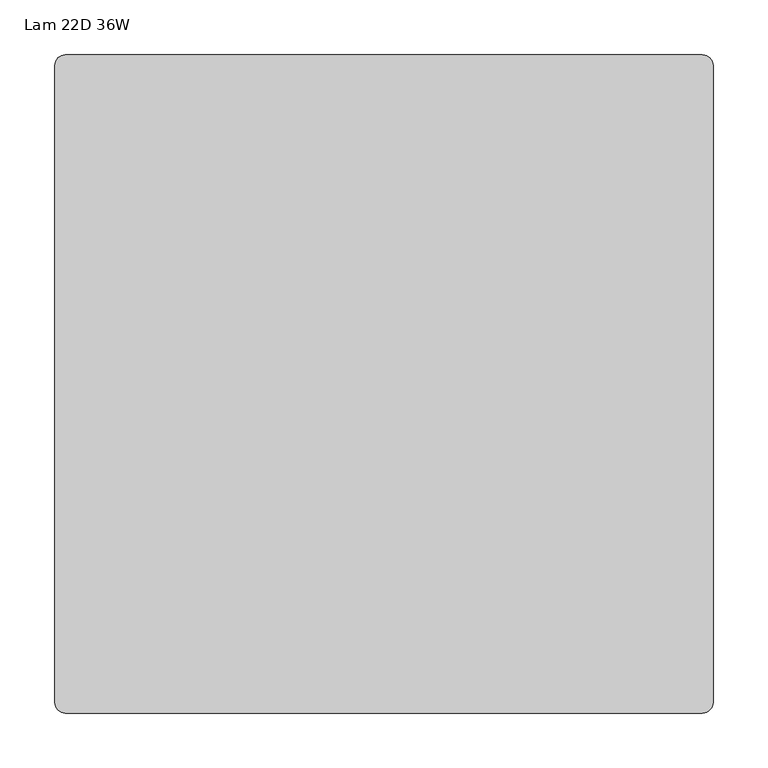
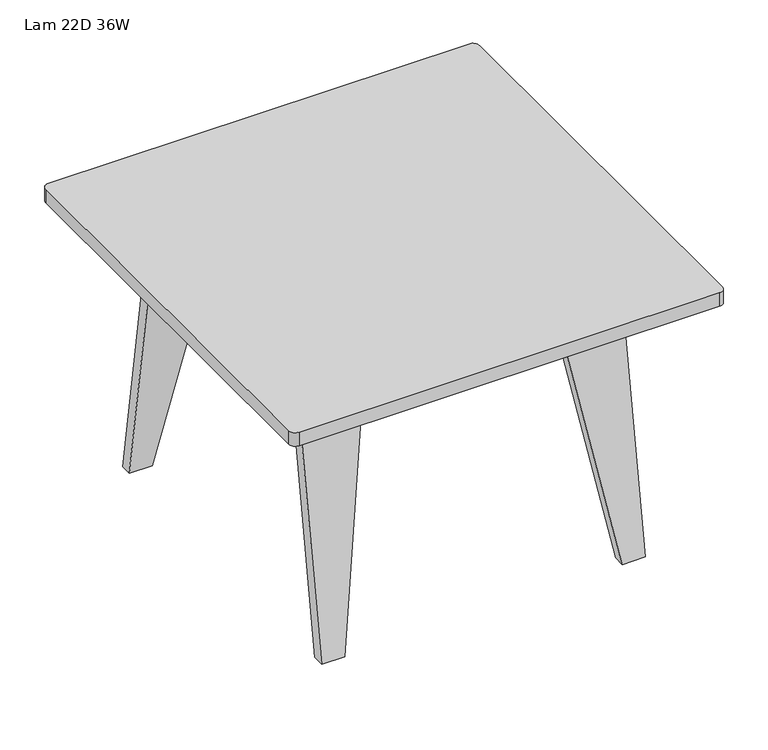
"""IFC4 building model written with IfcOpenShell, lengths in millimetres: furniture geometry, Lam 22D 36W."""

from ifc_helpers import new_model, si_unit, point, frame, frame_2d, origin, place, context, project, spatial, polyline, circle_curve, ellipse_curve, trimmed, segment, composite_curve, outline, extrude, source, transform, mapped, element, save
from ifc_brep_helpers import plane_surface, cylinder_surface, revolved_surface, advanced_brep


def lam_22d_36w_dc4fc0f7(model_context):
    return source(origin(), model_context, "Body", "SolidModel", [
        advanced_brep(
        [(192.05, 238.125, 0.0), (192.05, 221.9235331, 0.0), (142.4593989, 174.7972555, 297.5436065), (137.567, 140.4276766, 326.898), (137.567, -140.4276766, 326.898), (142.4593989, -174.7972555, 297.5436065), (192.05, -221.9235331, 0.0), (192.05, -238.125, 0.0), (142.0421882, -190.6022443, 300.0468708), (134.9, -140.4276766, 342.9), (134.9, 140.4276766, 342.9), (142.0421882, 190.6022443, 300.0468708), (223.8, 221.9235331, 0.0), (223.8, 238.125, 0.0), (223.8, 190.6022443, 300.0468708), (223.8, 140.4276766, 342.9), (223.8, -140.4276766, 342.9), (223.8, -190.6022443, 300.0468708), (223.8, -238.125, 0.0), (223.8, -221.9235331, 0.0), (223.8, -174.7972555, 297.5436065), (223.8, -140.4276766, 326.898), (223.8, 140.4276766, 326.898), (223.8, 174.7972555, 297.5436065)],
        [
            (0, 1),
            (1, 2),
            (2, 3, ellipse_curve(frame((143.3666667, 140.4276766, 292.1), z_axis=(0.9863939238321776, 0.0, 0.16439898730515412), x_axis=(-0.16439898730515426, 0.0, 0.9863939238321776)), 35.2779951, 34.798)),
            (3, 4),
            (4, 5, ellipse_curve(frame((143.3666667, -140.4276766, 292.1), z_axis=(0.9863939238321776, 0.0, 0.16439898730515412), x_axis=(-0.16439898730515426, 0.0, 0.9863939238321776)), 35.2779951, 34.798)),
            (5, 6),
            (6, 7),
            (7, 8),
            (8, 9, ellipse_curve(frame((143.3666667, -140.4276766, 292.1), z_axis=(-0.9863939238321776, 0.0, -0.16439898730515412), x_axis=(0.16439898730515426, 0.0, -0.9863939238321776)), 51.5007228, 50.8)),
            (9, 10),
            (10, 11, ellipse_curve(frame((143.3666667, 140.4276766, 292.1), z_axis=(-0.9863939238321776, 0.0, -0.16439898730515412), x_axis=(0.16439898730515426, 0.0, -0.9863939238321776)), 51.5007228, 50.8)),
            (11, 0),
            (12, 13),
            (13, 14),
            (14, 15, circle_curve(frame((223.8, 140.4276766, 292.1), z_axis=(1.0, 0.0, 0.0), x_axis=(0.0, 1.0, 0.0)), 50.8)),
            (15, 16),
            (16, 17, circle_curve(frame((223.8, -140.4276766, 292.1), z_axis=(1.0, 0.0, 0.0), x_axis=(0.0, 1.0, 0.0)), 50.8)),
            (17, 18),
            (18, 19),
            (19, 20),
            (20, 21, circle_curve(frame((223.8, -140.4276766, 292.1), z_axis=(-1.0, 0.0, 0.0), x_axis=(0.0, 1.0, 0.0)), 34.798)),
            (21, 22),
            (22, 23, circle_curve(frame((223.8, 140.4276766, 292.1), z_axis=(-1.0, 0.0, 0.0), x_axis=(0.0, 1.0, 0.0)), 34.798)),
            (23, 12),
            (12, 1),
            (0, 13),
            (11, 14),
            (10, 15),
            (9, 16),
            (8, 17),
            (7, 18),
            (6, 19),
            (5, 20),
            (4, 21),
            (3, 22),
            (2, 23),
        ],
        [
            plane_surface(frame((192.05, -300.0, 0.0), z_axis=(-0.9863939238321776, 0.0, -0.16439898730515412), x_axis=(0.0, 1.0, 0.0))),
            plane_surface(frame((223.8, 238.125, 0.0), z_axis=(1.0, 0.0, 0.0), x_axis=(0.0, 1.0, 0.0))),
            plane_surface(frame((223.8, 221.9235331, 0.0), z_axis=(0.0, 0.0, -1.0), x_axis=(-1.0, 0.0, 0.0))),
            plane_surface(frame((223.8, 238.125, 0.0), z_axis=(0.0, 0.9876883405951383, 0.15643446504022754), x_axis=(-1.0, 0.0, 0.0))),
            cylinder_surface(frame((134.9, 140.4276766, 292.1), z_axis=(1.0, 0.0, 0.0), x_axis=(0.0, 1.0, 0.0)), 50.8),
            plane_surface(frame((223.8, 140.4276766, 342.9), z_axis=(0.0, 0.0, 1.0), x_axis=(-1.0, 0.0, 0.0))),
            cylinder_surface(frame((134.9, -140.4276766, 292.1), z_axis=(1.0, 0.0, 0.0), x_axis=(0.0, 1.0, 0.0)), 50.8),
            plane_surface(frame((223.8, -190.6022443, 300.0468708), z_axis=(0.0, -0.9876883405951374, 0.15643446504023237), x_axis=(-1.0, 0.0, 0.0))),
            plane_surface(frame((223.8, -238.125, 0.0), z_axis=(0.0, 0.0, -1.0), x_axis=(-1.0, 0.0, 0.0))),
            plane_surface(frame((223.8, -221.9235331, 0.0), z_axis=(0.0, 0.9876883405951375, -0.15643446504023237), x_axis=(-1.0, 0.0, 0.0))),
            revolved_surface(polyline([(137.567, -105.62967660000001, 292.1), (223.8, -105.62967660000001, 292.1)]), (134.9, -140.4276766, 292.1), (-1.0, 0.0, 0.0)),
            plane_surface(frame((223.8, -140.4276766, 326.898), z_axis=(0.0, 0.0, -1.0), x_axis=(-1.0, 0.0, 0.0))),
            revolved_surface(polyline([(137.567, 175.2256766, 292.1), (223.8, 175.2256766, 292.1)]), (134.9, 140.4276766, 292.1), (-1.0, 0.0, 0.0)),
            plane_surface(frame((223.8, 174.7972555, 297.5436065), z_axis=(0.0, -0.9876883405951383, -0.1564344650402275), x_axis=(-1.0, 0.0, 0.0))),
        ],
        [
            (0, [[1, 2, 3, 4, 5, 6, 7, 8, 9, 10, 11, 12]]),
            (1, [[13, 14, 15, 16, 17, 18, 19, 20, 21, 22, 23, 24]]),
            (2, [[-13, 25, -1, 26]]),
            (3, [[-14, -26, -12, 27]]),
            (4, [[-15, -27, -11, 28]]),
            (5, [[-16, -28, -10, 29]]),
            (6, [[-17, -29, -9, 30]]),
            (7, [[-18, -30, -8, 31]]),
            (8, [[-19, -31, -7, 32]]),
            (9, [[-20, -32, -6, 33]]),
            (10, [[-21, -33, -5, 34]]),
            (11, [[-22, -34, -4, 35]]),
            (12, [[-23, -35, -3, 36]]),
            (13, [[-24, -36, -2, -25]]),
        ],
    ),
        advanced_brep(
        [(-223.8, 221.9235331, 0.0), (-223.8, 174.7972555, 297.5436065), (-223.8, 140.4276766, 326.898), (-223.8, -140.4276766, 326.898), (-223.8, -174.7972555, 297.5436065), (-223.8, -221.9235331, 0.0), (-223.8, -238.125, 0.0), (-223.8, -190.6022443, 300.0468708), (-223.8, -140.4276766, 342.9), (-223.8, 140.4276766, 342.9), (-223.8, 190.6022443, 300.0468708), (-223.8, 238.125, 0.0), (-192.05, 238.125, 0.0), (-192.05, 221.9235331, 0.0), (-142.0421882, 190.6022443, 300.0468708), (-134.9, 140.4276766, 342.9), (-134.9, -140.4276766, 342.9), (-142.0421882, -190.6022443, 300.0468708), (-192.05, -238.125, 0.0), (-192.05, -221.9235331, 0.0), (-142.4593989, -174.7972555, 297.5436065), (-137.567, -140.4276766, 326.898), (-137.567, 140.4276766, 326.898), (-142.4593989, 174.7972555, 297.5436065)],
        [
            (0, 1),
            (1, 2, circle_curve(frame((-223.8, 140.4276766, 292.1), z_axis=(1.0, 0.0, 0.0), x_axis=(0.0, 1.0, 0.0)), 34.798)),
            (2, 3),
            (3, 4, circle_curve(frame((-223.8, -140.4276766, 292.1), z_axis=(1.0, 0.0, 0.0), x_axis=(0.0, 1.0, 0.0)), 34.798)),
            (4, 5),
            (5, 6),
            (6, 7),
            (7, 8, circle_curve(frame((-223.8, -140.4276766, 292.1), z_axis=(-1.0, 0.0, 0.0), x_axis=(0.0, 1.0, 0.0)), 50.8)),
            (8, 9),
            (9, 10, circle_curve(frame((-223.8, 140.4276766, 292.1), z_axis=(-1.0, 0.0, 0.0), x_axis=(0.0, 1.0, 0.0)), 50.8)),
            (10, 11),
            (11, 0),
            (11, 12),
            (12, 13),
            (13, 0),
            (10, 14),
            (14, 12),
            (9, 15),
            (15, 14, ellipse_curve(frame((-143.3666667, 140.4276766, 292.1), z_axis=(-0.986393923832184, 0.0, 0.1643989873051155), x_axis=(0.1643989873051152, 0.0, 0.9863939238321839)), 51.5007228, 50.8)),
            (8, 16),
            (16, 15),
            (7, 17),
            (17, 16, ellipse_curve(frame((-143.3666667, -140.4276766, 292.1), z_axis=(-0.986393923832184, 0.0, 0.1643989873051155), x_axis=(0.1643989873051152, 0.0, 0.9863939238321839)), 51.5007228, 50.8)),
            (6, 18),
            (18, 17),
            (5, 19),
            (19, 18),
            (4, 20),
            (20, 19),
            (3, 21),
            (21, 20, ellipse_curve(frame((-143.3666667, -140.4276766, 292.1), z_axis=(0.986393923832184, 0.0, -0.1643989873051155), x_axis=(-0.1643989873051152, 0.0, -0.9863939238321839)), 35.2779951, 34.798)),
            (2, 22),
            (22, 21),
            (1, 23),
            (23, 22, ellipse_curve(frame((-143.3666667, 140.4276766, 292.1), z_axis=(0.986393923832184, 0.0, -0.1643989873051155), x_axis=(-0.1643989873051152, 0.0, -0.9863939238321839)), 35.2779951, 34.798)),
            (13, 23),
        ],
        [
            plane_surface(frame((-223.8, 238.125, 0.0), z_axis=(-1.0, 0.0, 0.0), x_axis=(0.0, -1.0, 0.0))),
            plane_surface(frame((-134.9, 221.9235331, 0.0), z_axis=(0.0, 0.0, -1.0), x_axis=(-1.0, 0.0, 0.0))),
            plane_surface(frame((-134.9, 238.125, 0.0), z_axis=(0.0, 0.9876883405951383, 0.1564344650402276), x_axis=(-1.0, 0.0, 0.0))),
            cylinder_surface(frame((-223.8, 140.4276766, 292.1), z_axis=(1.0, 0.0, 0.0), x_axis=(0.0, 1.0, 0.0)), 50.8),
            plane_surface(frame((-134.9, 140.4276766, 342.9), z_axis=(0.0, 0.0, 1.0), x_axis=(-1.0, 0.0, 0.0))),
            cylinder_surface(frame((-223.8, -140.4276766, 292.1), z_axis=(1.0, 0.0, 0.0), x_axis=(0.0, 1.0, 0.0)), 50.8),
            plane_surface(frame((-134.9, -190.6022443, 300.0468708), z_axis=(0.0, -0.9876883405951375, 0.15643446504023226), x_axis=(-1.0, 0.0, 0.0))),
            plane_surface(frame((-134.9, -238.125, 0.0), z_axis=(0.0, 0.0, -1.0), x_axis=(-1.0, 0.0, 0.0))),
            plane_surface(frame((-134.9, -221.9235331, 0.0), z_axis=(0.0, 0.9876883405951375, -0.15643446504023217), x_axis=(-1.0, 0.0, 0.0))),
            revolved_surface(polyline([(-223.8, -105.62967660000001, 292.1), (-137.567, -105.62967660000001, 292.1)]), (-223.8, -140.4276766, 292.1), (-1.0, 0.0, 0.0)),
            plane_surface(frame((-134.9, -140.4276766, 326.898), z_axis=(0.0, 0.0, -1.0), x_axis=(-1.0, 0.0, 0.0))),
            revolved_surface(polyline([(-223.8, 175.2256766, 292.1), (-137.567, 175.2256766, 292.1)]), (-223.8, 140.4276766, 292.1), (-1.0, 0.0, 0.0)),
            plane_surface(frame((-134.9, 174.7972555, 297.5436065), z_axis=(0.0, -0.9876883405951383, -0.15643446504022748), x_axis=(-1.0, 0.0, 0.0))),
            plane_surface(frame((-134.9, -300.0, 342.9), z_axis=(0.986393923832184, 0.0, -0.1643989873051155), x_axis=(0.0, 1.0, 0.0))),
        ],
        [
            (0, [[1, 2, 3, 4, 5, 6, 7, 8, 9, 10, 11, 12]]),
            (1, [[-12, 13, 14, 15]]),
            (2, [[-11, 16, 17, -13]]),
            (3, [[-10, 18, 19, -16]]),
            (4, [[-9, 20, 21, -18]]),
            (5, [[-8, 22, 23, -20]]),
            (6, [[-7, 24, 25, -22]]),
            (7, [[-6, 26, 27, -24]]),
            (8, [[-5, 28, 29, -26]]),
            (9, [[-4, 30, 31, -28]]),
            (10, [[-3, 32, 33, -30]]),
            (11, [[-2, 34, 35, -32]]),
            (12, [[-1, -15, 36, -34]]),
            (13, [[-14, -17, -19, -21, -23, -25, -27, -29, -31, -33, -35, -36]]),
        ],
    ),
        extrude(outline(polyline([(-141.25, 101.6), (-141.25, -101.6), (-217.45, -101.6), (-217.45, 101.6), (-141.25, 101.6)])), frame((0.0, 0.0, 342.9), z_axis=(0.0, 0.0, 1.0), x_axis=(1.0, 0.0, 0.0)), (0.0, 0.0, 1.0), 18.3388),
        extrude(outline(polyline([(141.25, 101.6), (217.45, 101.6), (217.45, -101.6), (141.25, -101.6), (141.25, 101.6)])), frame((0.0, 0.0, 342.9), z_axis=(0.0, 0.0, 1.0), x_axis=(1.0, 0.0, 0.0)), (0.0, 0.0, 1.0), 18.3388),
        extrude(outline(polyline([(217.45, 225.425), (217.45, -225.425), (-217.45, -225.425), (-217.45, 225.425), (217.45, 225.425)]), holes=[polyline([(-141.25, -165.1), (141.25, -165.1), (141.25, 165.1), (-141.25, 165.1), (-141.25, -165.1)])]), frame((0.0, 0.0, 361.2388), z_axis=(0.0, 0.0, 1.0), x_axis=(1.0, 0.0, 0.0)), (0.0, 0.0, 1.0), 19.05),
        extrude(outline(composite_curve([segment(trimmed(circle_curve(frame_2d((290.348, 290.348)), 9.652), [point((290.348, 300.0))], [point((300.0, 290.348))], False, "CARTESIAN"), True, "CONTINUOUS"), segment(polyline([(300.0, 290.348), (300.0, -290.348)]), True, "CONTINUOUS"), segment(trimmed(circle_curve(frame_2d((290.348, -290.348)), 9.652), [point((300.0, -290.348))], [point((290.348, -300.0))], False, "CARTESIAN"), True, "CONTINUOUS"), segment(polyline([(290.348, -300.0), (-290.348, -300.0)]), True, "CONTINUOUS"), segment(trimmed(circle_curve(frame_2d((-290.348, -290.348)), 9.652), [point((-290.348, -300.0))], [point((-300.0, -290.348))], False, "CARTESIAN"), True, "CONTINUOUS"), segment(polyline([(-300.0, -290.348), (-300.0, 290.348)]), True, "CONTINUOUS"), segment(trimmed(circle_curve(frame_2d((-290.348, 290.348)), 9.652), [point((-300.0, 290.348))], [point((-290.348, 300.0))], False, "CARTESIAN"), True, "CONTINUOUS"), segment(polyline([(-290.348, 300.0), (290.348, 300.0)]), True, "CONTINUOUS")], self_intersect=False)), frame((0.0, 0.0, 380.2888), z_axis=(0.0, 0.0, 1.0), x_axis=(1.0, 0.0, 0.0)), (0.0, 0.0, 1.0), 19.7612),
    ])


if __name__ == "__main__":
    model = new_model("IFC4")
    model_context = context("Model", 3, world=origin())
    ifc_project = project(units=[si_unit("LENGTHUNIT", "METRE", prefix="MILLI")], contexts=[model_context])
    site = spatial("IfcSite", under=ifc_project)
    building = spatial("IfcBuilding", under=site)
    placement = place(None, origin())
    lam_22d_36w_shape = lam_22d_36w_dc4fc0f7(model_context)
    element("IfcFurniture", 1, ObjectType="Lam 22D 36W", at=placement, inside=building, context=model_context, shape_type="MappedRepresentation", body=[
        mapped(lam_22d_36w_shape, transform((0.0, 0.0, 0.0), x_axis=(1.0, 0.0, 0.0), y_axis=(0.0, 1.0, 0.0), z_axis=(0.0, 0.0, 1.0))),
    ])
    save(model, "model.ifc")
